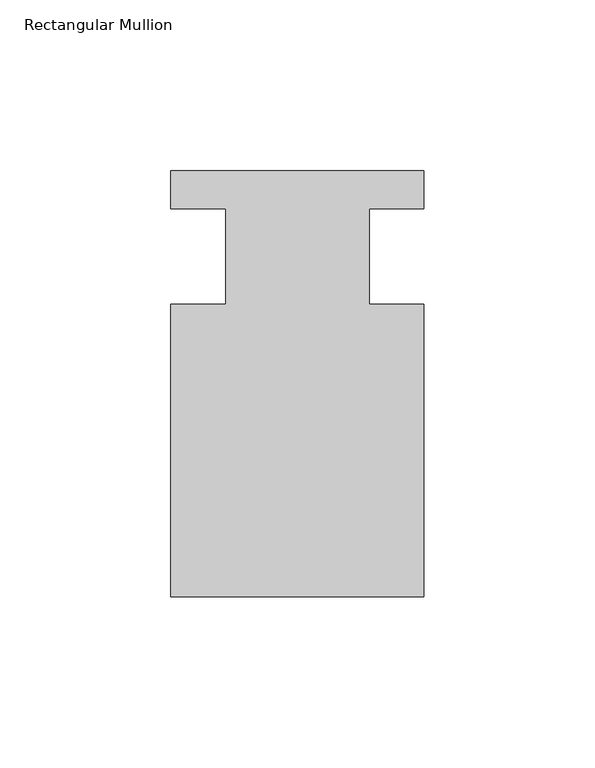
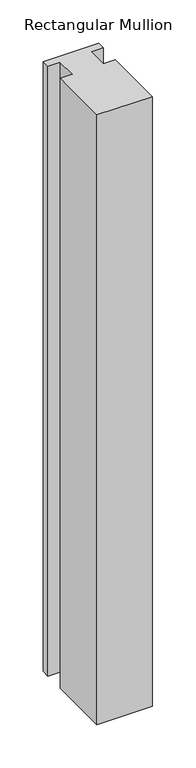
"""IFC4 building model written with IfcOpenShell, lengths in millimetres: member geometry, Rectangular Mullion."""

from ifc_helpers import new_model, si_unit, frame, origin, place, context, project, spatial, polyline, outline, extrude, source, transform, mapped, element, save


def rectangular_mullion_59ac2fe3(model_context):
    return source(origin(), model_context, "Body", "SweptSolid", [
        extrude(outline(polyline([(-20.9800745, -13.9998907), (-20.9800745, 14.0), (-37.0, 14.0), (-37.0, 25.0), (36.9800745, 25.0), (36.9800745, 14.0), (20.9800745, 14.0), (20.9800745, -13.9998907), (37.0, -13.9998907), (37.0, -99.5), (-37.0, -99.5), (-37.0, -13.9998907), (-20.9800745, -13.9998907)])), frame((0.0, 0.0, -861.4796064), z_axis=(0.0, 0.0, 1.0), x_axis=(1.0, 0.0, 0.0)), (0.0, 0.0, 1.0), 861.4796064),
    ])


if __name__ == "__main__":
    model = new_model("IFC4")
    model_context = context("Model", 3, world=origin())
    ifc_project = project(units=[si_unit("LENGTHUNIT", "METRE", prefix="MILLI")], contexts=[model_context])
    site = spatial("IfcSite", under=ifc_project)
    building = spatial("IfcBuilding", under=site)
    placement = place(None, origin())
    rectangular_mullion_shape = rectangular_mullion_59ac2fe3(model_context)
    element("IfcMember", 1, ObjectType="Rectangular Mullion", at=placement, inside=building, context=model_context, shape_type="MappedRepresentation", body=[
        mapped(rectangular_mullion_shape, transform((0.0, 0.0, 0.0), x_axis=(1.0, 0.0, 0.0), y_axis=(0.0, 1.0, 0.0), z_axis=(0.0, 0.0, 1.0))),
    ])
    save(model, "model.ifc")
